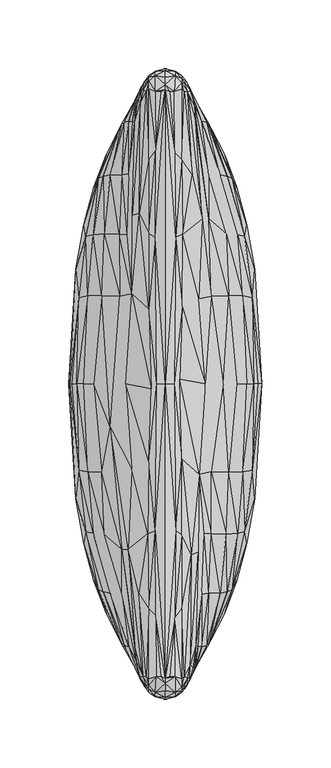
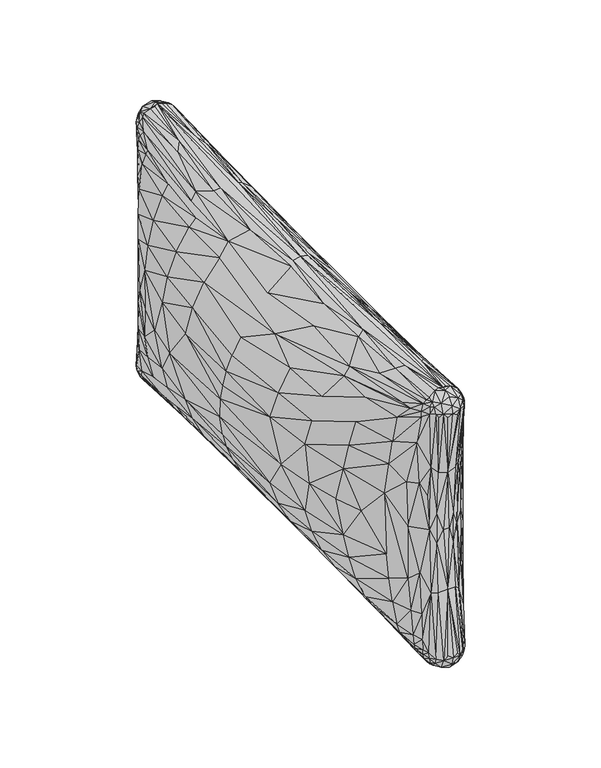
"""IFC4 building model written with IfcOpenShell, lengths in millimetres: furniture geometry."""

from ifc_helpers import new_model, si_unit, origin, place, context, project, spatial, triangles, source, transform, mapped, element, save


def furniture_ff577a39(model_context):
    return source(origin(), model_context, "Body", "Tessellation", [
        triangles([(-52.4915907, -108.4813508, 75.9611156), (-56.1678743, -63.8612273, 75.9467133), (-46.1038855, -64.2029125, 56.4661437), (52.4859996, -108.4813508, 177.0717862), (56.1622878, -63.8612273, 177.086193), (46.0982945, -64.2029125, 196.5667627), (48.736769, 149.1945725, 96.2297095), (59.2366096, 115.5297215, 126.5164509), (57.790218, 107.0855603, 96.409495), (-48.74236, 149.1945725, 156.8031833), (-59.2422006, 115.5297215, 126.5164509), (-57.7958091, 107.0855603, 156.6233977), (33.0653941, -185.9305296, 157.3290959), (33.7971899, -184.5994154, 102.5392081), (43.055248, -166.3264392, 126.5164509), (31.6618415, -120.0187007, 34.931725), (40.0625483, -31.2689103, 47.6199721), (46.0982945, -64.2029125, 56.4661437), (-33.0709828, -185.9305296, 95.7037968), (-33.8027786, -184.5994154, 150.4936938), (-43.0608346, -166.3264392, 126.5164509), (-31.6674302, -120.0187007, 218.1011859), (-40.0681393, -31.2689103, 205.4129342), (-46.1038855, -64.2029125, 196.5667627), (17.299991, 208.909832, 87.0376561), (11.6693742, 213.7278882, 127.0592048), (23.0387236, 200.6604082, 126.5164509), (-7.4342835, 106.4574645, 243.8059941), (-0.0027946, 0.0, 243.0915028), (-0.0053055, 213.622117, 253.0338829), (7.2481211, 227.0940418, 14.0877495), (-0.0027946, 220.7412682, 73.1136014), (7.2544837, 219.2594909, 71.5221469), (7.4286941, 106.4574645, 9.2269083), (-0.0024089, 3e-07, 9.9414717), (-0.0002836, 213.622117, -0.0009784), (-33.2691221, -63.565188, 38.2223763), (-40.0681393, 31.2689103, 47.6199721), (-28.6023875, 0.0, 33.0955067), (7.2544837, -219.2594909, 71.5221469), (7.1622184, -216.9644639, 110.643201), (-0.0027946, -220.7412682, 73.1136014), (2.922464, -218.129291, 126.5164509), (7.2646132, -216.820759, 138.1913197), (-0.0027946, -220.7412682, 179.919305), (33.2635333, -63.565188, 214.8105256), (42.2021388, 0.0, 202.4773031), (29.0456267, 0.0, 219.4081919), (-33.0709828, 185.9305296, 157.3290959), (-33.8027786, 184.5994154, 102.5392081), (-43.0608346, 166.3264392, 126.5164509), (-12.7903383, 108.7190543, 13.1216543), (-26.7404985, 119.9948922, 28.18699), (-19.3531156, 152.0121876, 17.5737422), (33.0653941, 185.9305296, 95.7037968), (33.7971899, 184.5994154, 150.4936938), (43.055248, 166.3264392, 126.5164509), (12.7847495, 108.7190543, 239.9112463), (26.7349097, 119.9948922, 224.845905), (19.3475268, 152.0121876, 235.4591562), (6.8052424, -169.8754413, 247.9979984), (11.9664332, -214.1132571, 248.1058043), (11.9972056, -163.1535406, 243.8436735), (-28.6023875, 0.0, 219.9373929), (-10.3119024, -3.3868243, 239.5876287), (-24.4645837, 65.5005259, 225.6879139), (28.5967965, 0.0, 33.0955067), (10.3063125, -3.3868243, 13.4452708), (24.4589949, 65.5005259, 27.3449924), (-6.8108318, -169.8754413, 5.0349063), (-11.9720231, -214.1132571, 4.9270964), (-12.0027943, -163.1535406, 9.1892386), (-17.3055798, 208.909832, 165.9952457), (-11.674963, 213.7278882, 125.973697), (-23.0443124, 200.6604082, 126.5164509), (0.0116053, 228.6769938, 237.8989419), (-0.0027946, 220.7412682, 179.919305), (-4.1227467, 227.8690308, 235.2891811), (69.9981665, 0.0, 131.9060202), (67.513598, 0.0, 148.6664161), (63.0023681, -62.5254713, 156.5578312), (39.8188359, -151.927963, 54.9371581), (45.0689151, -150.8213445, 75.3352545), (29.9815389, -189.7990617, 53.0183345), (-39.8244224, -151.927963, 198.0957391), (-45.0745062, -150.8213445, 177.6976564), (-29.9871299, -189.7990617, 200.0145719), (-70.0023996, 0.0, 121.0919637), (-67.493046, 0.0, 104.2490147), (-63.0079591, -62.5254713, 96.4750797), (-0.0027946, -227.273573, 244.4612411), (7.2564163, -223.5702198, 247.0286353), (-0.0027946, -222.7839669, 250.0439127), (-13.9011955, -212.4153048, 245.9074646), (-12.0027943, -163.1535406, 243.8436735), (-19.3531156, -152.0121876, 235.4591562), (0.0116053, -228.6769938, 15.1339668), (-4.1227467, -227.8690308, 17.7437196), (-17.3055798, -208.909832, 87.0376561), (-11.674963, -213.7278882, 127.0592048), (-23.0443124, -200.6604082, 126.5164509), (13.8956055, -212.4153048, 7.1254349), (11.9972056, -163.1535406, 9.1892386), (19.3475268, -152.0121876, 17.5737422), (-0.0027946, -227.273573, 8.5716595), (-7.2620056, -223.5702198, 6.0042716), (-0.0027946, -222.7839669, 2.9889993), (-6.8172835, 168.1697315, 5.1789705), (-7.4342835, 106.4574645, 9.2269083), (-23.4981069, 201.4945142, 173.4536568), (6.8116947, 168.1697315, 247.8539301), (7.4286941, 106.4574645, 243.8059941), (23.4925182, 201.4945142, 79.579236), (7.2481211, -227.0940418, 238.9451534), (7.2544837, -219.2594909, 181.5107594), (45.0689151, -150.8213445, 177.6976564), (39.8188359, -151.927963, 198.0957391), (31.8812639, -187.9860364, 178.8315262), (-33.2691221, 63.565188, 214.8105256), (33.2635333, 63.565188, 38.2223763), (63.0023681, 62.5254713, 156.5578312), (26.569229, 190.6886694, 221.2170204), (31.6822004, 151.968849, 217.5957117), (39.8188359, 151.927963, 198.0957391), (-63.0079591, 62.5254713, 96.4750797), (-26.57482, 190.6886694, 31.8158928), (-31.6877892, 151.968849, 35.4371856), (-39.8244224, 151.927963, 54.9371581), (-7.2620056, -223.5702198, 247.0286353), (-23.4981069, -201.4945142, 79.579236), (-0.0027946, 227.273573, 8.5716595), (7.2564163, 223.5702198, 6.0042716), (-0.0027946, 222.7839669, 2.9889993), (-7.2620056, 223.5702198, 6.0042716), (-17.3696736, -212.1149597, 51.346993), (-11.8488475, -216.0653908, 70.5644928), (-18.9283754, -123.9724201, 18.9205305), (-13.7818293, -212.4173577, 7.00522), (7.2564163, 223.5702198, 247.0286353), (-0.0027946, 227.273573, 244.4612411), (-0.0027946, 222.7839669, 250.0439127), (-7.2620056, 223.5702198, 247.0286353), (7.2564163, -223.5702198, 6.0042716), (23.4925182, -201.4945142, 173.4536568), (23.0387236, -200.6604082, 126.5164509), (18.9227867, -123.9724201, 234.1123634), (13.7762406, -212.4173577, 246.027679), (29.9815389, -189.7990617, 200.0145719), (31.6822004, -151.968849, 217.5957117), (26.569229, -190.6886694, 221.2170204), (-57.7958091, -107.0855603, 156.6233977), (-64.8921283, -83.4453608, 126.5164509), (-59.2422006, -115.5297215, 126.5164509), (-63.0079591, 62.5254713, 156.5578312), (-64.1301562, 0.0, 160.7727266), (-56.1678743, 63.8612273, 177.086193), (63.0023681, 62.5254713, 96.4750797), (64.1245697, 0.0, 92.2601752), (56.1622878, 63.8612273, 75.9467133), (57.790218, -107.0855603, 96.409495), (64.8865418, -83.4453608, 126.5164509), (59.2366096, -115.5297215, 126.5164509), (11.9697477, 223.7481523, 14.8179057), (11.8432576, 216.0653908, 70.5644928), (15.2418851, 219.1112442, 19.4367224), (18.9227867, 123.9724201, 18.9205305), (12.0054979, 54.3753056, 14.4367937), (11.9972056, 109.5169071, 12.4292797), (-11.9753364, 223.7481523, 238.2150018), (-11.8488475, 216.0653908, 182.4684045), (-15.2474739, 219.1112442, 233.5961885), (-18.9283754, 123.9724201, 234.1123634), (-12.0110867, 54.3753056, 238.5961013), (-12.0027943, 109.5169071, 240.6036278), (7.4286941, -106.4574645, 243.8059941), (-0.0002836, -213.622117, 253.0338829), (-7.4342835, -106.4574645, 9.2269083), (-0.0053055, -213.622117, -0.0009784), (7.2544837, 219.2594909, 181.5107594), (7.1622184, 216.9644639, 142.3897008), (2.922464, 218.129291, 126.5164509), (7.2646132, 216.820759, 114.8415821), (-45.0745062, -150.8213445, 75.3352545), (-39.8244224, -151.927963, 54.9371581), (-31.886855, -187.9860364, 74.2013711), (-29.9871299, -189.7990617, 53.0183345), (-31.6877892, -151.968849, 35.4371856), (-26.57482, -190.6886694, 31.8158928), (6.8116947, -168.1697315, 5.1789705), (7.4286941, -106.4574645, 9.2269083), (0.0026305, -217.3050499, 0.4235855), (6.6212023, -212.5631882, 1.3880483), (-6.8172835, -168.1697315, 247.8539301), (-7.4342835, -106.4574645, 243.8059941), (-0.0082197, -217.3050499, 252.6093266), (-6.6267916, -212.5631882, 251.6448506), (13.8956055, 212.4153048, 245.9074646), (11.9972056, 163.1535406, 243.8436735), (0.0026305, 217.3050499, 252.6093266), (6.6212023, 212.5631882, 251.6448506), (-0.0082197, 217.3050499, 0.4235855), (-6.6267916, 212.5631882, 1.3880483), (-13.9011955, 212.4153048, 7.1254349), (-12.0027943, 163.1535406, 9.1892386), (11.9697477, -223.7481523, 238.2150018), (11.8432576, -216.0653908, 182.4684045), (15.2418851, -219.1112442, 233.5961885), (-7.2537105, -227.0940418, 14.0877495), (-11.9753364, -223.7481523, 14.8179057), (-15.2474739, -219.1112442, 19.4367224), (17.299991, -208.909832, 165.9952457), (17.3640836, -212.1149597, 201.6859088), (11.6693742, -213.7278882, 125.973697), (-39.8244224, 151.927963, 198.0957391), (-31.6877892, 151.968849, 217.5957117), (-29.9871299, 189.7990617, 200.0145719), (-17.3696736, 212.1149597, 201.6859088), (39.8188359, 151.927963, 54.9371581), (31.6822004, 151.968849, 35.4371856), (29.9815389, 189.7990617, 53.0183345), (17.3640836, 212.1149597, 51.346993), (31.6822004, -151.968849, 35.4371856), (21.169168, -201.4034769, 19.2655528), (12.7847495, -108.7190543, 13.1216543), (26.7349097, -119.9948922, 28.18699), (-12.7903383, -108.7190543, 239.9112463), (-26.7404985, -119.9948922, 224.845905), (-31.6877892, -151.968849, 217.5957117), (-21.1747568, -201.4034769, 233.7673445), (-57.7958091, -107.0855603, 96.409495), (-48.74236, -149.1945725, 96.2297095), (48.736769, -149.1945725, 156.8031833), (57.790218, -107.0855603, 156.6233977), (64.8865418, 83.4453608, 126.5164509), (67.487455, 0.0, 104.2490147), (-67.493046, 0.0, 148.7838871), (-64.8921283, 83.4453608, 126.5164509), (-10.1440642, -225.0408604, 235.8876184), (-7.2600731, -219.2594909, 181.5107594), (-7.3209013, -227.0545093, 238.9335262), (-0.0171944, -228.6769938, 237.8989419), (4.1171576, -227.8690308, 235.2891811), (-0.0171944, 228.6769938, 15.1339668), (4.1171576, 227.8690308, 17.7437196), (-11.9865753, 223.7404674, 14.680204), (-7.2600731, 219.2594909, 71.5221469), (-7.3209013, 227.0545093, 14.0993722), (12.0042114, 222.5392144, 10.4954066), (15.1898386, 219.4200916, 14.5942616), (-7.2537105, 227.0940418, 238.9451534), (-12.0098002, 222.5392144, 242.5375032), (-15.1954285, 219.4200916, 238.4386436), (10.3090126, 3.3750904, 239.5857757), (24.4528043, -65.5774244, 225.6970522), (6.2882829, 0.0, 241.7777022), (-10.3120852, 3.3870599, 13.4454797), (-24.4645837, -65.5005259, 27.3449924), (-6.2944627, -2e-07, 11.2555448), (22.2161312, -190.1086358, 233.0239669), (24.038515, -122.2840875, 228.1528071), (18.0440635, -203.6963784, 239.9274154), (12.0042114, -222.5392144, 242.5375032), (15.1898386, -219.4200916, 238.4386436), (-22.22172, -190.1086358, 20.0089417), (-24.0441038, -122.2840875, 24.8800947), (-18.0496523, -203.6963784, 13.1054875), (-12.0098002, -222.5392144, 10.4954066), (-15.1954285, -219.4200916, 14.5942616), (26.569229, 190.6886694, 31.8158928), (22.2161312, 190.1086358, 20.0089417), (24.038515, 122.2840875, 24.8800947), (18.0440635, 203.6963784, 13.1054875), (-26.57482, 190.6886694, 221.2170204), (-22.22172, 190.1086358, 233.0239669), (-24.0441038, 122.2840875, 228.1528071), (-18.0496523, 203.6963784, 239.9274154), (33.3931357, 108.7196357, 37.5373708), (52.4859996, 108.4813508, 75.9611156), (-33.3987267, 108.7196357, 215.495531), (-52.4915907, 108.4813508, 177.0717862), (-16.2529006, 212.084838, 10.3481318), (-12.0140502, 218.4138122, 6.2175518), (-12.0304839, 216.1941075, 67.2447463), (-15.0754833, 219.8248271, 15.3696889), (-12.0304839, -216.1941075, 185.788151), (-12.0058556, -223.6606394, 238.8484297), (-15.0754833, -219.8248271, 237.6632186), (-16.2529006, -212.084838, 242.6847689), (-12.0140502, -218.4138122, 246.8153489), (16.2473107, 212.084838, 242.6847689), (12.0084615, 218.4138122, 246.8153489), (12.0248951, 216.1941075, 185.788151), (12.0002657, 223.6606394, 238.8484297), (15.0698934, 219.8248271, 237.6632186), (16.2473107, -212.084838, 10.3481318), (12.0084615, -218.4138122, 6.2175518), (12.0248951, -216.1941075, 67.2447463), (12.0002657, -223.6606394, 14.1844801), (15.0698934, -219.8248271, 15.3696889), (7.3153119, 227.0545093, 238.9335262), (10.1384743, 225.0408604, 235.8876184), (10.1384743, -225.0408604, 17.1452811), (7.3153119, -227.0545093, 14.0993722), (52.0035981, 0.0, 187.2160798), (56.1622878, 63.8612273, 177.086193), (64.1844271, 0.0, 160.5948668), (-51.817899, 0.0, 65.4859056), (-56.1678743, 63.8612273, 75.9467133), (-64.1301562, 0.0, 92.2601752), (-45.0745062, 150.8213445, 75.3352545), (-29.9871299, 189.7990617, 53.0183345), (-57.7958091, 107.0855603, 96.409495), (45.0689151, 150.8213445, 177.6976564), (29.9815389, 189.7990617, 200.0145719), (57.790218, 107.0855603, 156.6233977), (-2.2979438, 218.2791183, 126.5164509), (-7.1678077, 216.9644639, 110.643201), (-7.2600731, 219.2594909, 181.5107594), (-7.2600731, -219.2594909, 71.5221469), (-2.2979438, -218.2791183, 126.5164509), (-7.1678077, -216.9644639, 142.3897008), (-26.57482, -190.6886694, 221.2170204), (-63.0079591, -62.5254713, 156.5578312), (63.0023681, -62.5254713, 96.4750797), (26.569229, -190.6886694, 31.8158928), (44.3810392, -109.0753643, 196.8487222), (-44.3866303, -109.0753643, 56.1841796), (12.2140721, -56.505013, 14.5584466), (24.230584, -61.7786146, 27.1949153), (-12.219662, -56.505013, 238.4744518), (-24.2361728, -61.7786146, 225.8379956), (-20.0055217, 209.2444227, 46.3207191), (-31.886855, 187.9860364, 74.2013711), (-24.0114068, 200.4925405, 85.7252453), (19.9999329, -209.2444227, 46.3207191), (31.8812639, -187.9860364, 74.2013711), (24.0058181, -200.4925405, 85.7252453), (-20.0055217, -209.2444227, 206.7121827), (-31.886855, -187.9860364, 178.8315262), (-24.0114068, -200.4925405, 167.3076656), (19.9999329, 209.2444227, 206.7121827), (31.8812639, 187.9860364, 178.8315262), (24.0058181, 200.4925405, 167.3076656), (11.9972056, 163.1535406, 9.1892386), (13.7762406, 212.4173577, 7.00522), (6.8052424, 169.8754413, 5.0349063), (11.9664332, 214.1132571, 4.9270964), (-6.8108318, 169.8754413, 247.9979984), (-11.9720231, 214.1132571, 248.1058043), (-12.0027943, 163.1535406, 243.8436735), (-13.7818293, 212.4173577, 246.027679), (-22.6059285, -204.6112026, 52.0222516), (-21.8264839, -206.1382715, 29.9412593), (-17.5901997, -214.0799379, 15.5533975), (-19.7803492, -205.8276981, 17.1223333), (-17.5901997, 214.0799379, 237.4795089), (-19.7803492, 205.8276981, 235.9105639), (-22.6059285, 204.6112026, 201.0106411), (-21.8264839, 206.1382715, 223.0916516), (17.5846098, 214.0799379, 15.5533975), (19.7747604, 205.8276981, 17.1223333), (22.6003397, 204.6112026, 52.0222516), (21.8208951, 206.1382715, 29.9412593), (22.6003397, -204.6112026, 201.0106411), (21.8208951, -206.1382715, 223.0916516), (17.5846098, -214.0799379, 237.4795089), (19.7747604, -205.8276981, 235.9105639), (-69.3937975, 0.0, 137.4332991), (69.388211, 0.0, 115.5996027), (-7.1704681, 212.5190957, 251.4586883), (7.1648794, -212.5190957, 251.4586883), (7.1648794, 212.5190957, 1.5742159), (-7.1704681, -212.5190957, 1.5742159), (-51.817899, 0.0, 187.5470007), (-46.1038855, 64.2029125, 196.5667627), (-44.3866303, 109.0753643, 196.8487222), (-45.0745062, 150.8213445, 177.6976564), (44.3810392, 109.0753643, 56.1841796), (45.0689151, 150.8213445, 75.3352545), (51.812308, 0.0, 65.4859056), (46.0982945, 64.2029125, 56.4661437), (46.0982945, 64.2029125, 196.5667627), (59.1453996, 0.0, 173.3580049), (21.169168, 201.4034769, 233.7673445), (31.6618415, 120.0187007, 218.1011859), (-21.1747568, 201.4034769, 19.2655528), (-31.6674302, 120.0187007, 34.931725), (-46.1038855, 64.2029125, 56.4661437), (-59.0389654, 0.0, 79.4284367), (12.0054979, -54.3753056, 238.5961013), (11.9972056, -109.5169071, 240.6036278), (-12.0110878, -54.3753147, 14.4367937), (-12.0027943, -109.5169071, 12.4292797), (26.4671754, -152.6478773, 226.2272161), (33.3931357, -108.7196357, 215.495531), (-26.4727641, -152.6478773, 26.8056812), (-33.3987267, -108.7196357, 37.5373708), (-6.2938723, 0.0, 241.7777022), (6.2882829, 0.0, 11.2551951), (14.1433523, -218.7664614, 243.3221028), (16.1754764, -213.3176116, 242.3107547), (12.0014352, -219.585325, 246.2554085), (14.1433523, 218.7664614, 9.7108012), (16.1754764, 213.3176116, 10.7221505), (12.0014352, 219.585325, 6.7775001), (-12.0070251, -219.585325, 6.7775001), (-14.1489411, -218.7664614, 9.7108012), (-16.1810652, -213.3176116, 10.7221505), (-12.0070251, 219.585325, 246.2554085), (-14.1489411, 218.7664614, 243.3221028), (-16.1810652, 213.3176116, 242.3107547), (28.1837335, 108.338636, 30.5220173), (26.4671754, 152.6478773, 26.8056812), (-28.1893222, 108.338636, 222.5108913), (-26.4727641, 152.6478773, 226.2272161), (-48.74236, -149.1945725, 156.8031833), (48.736769, -149.1945725, 96.2297095), (-48.74236, 149.1945725, 96.2297095), (48.736769, 149.1945725, 156.8031833), (-7.2702026, 216.820759, 138.1913197), (-7.2702026, -216.820759, 114.8415821), (17.6445625, -208.6593022, 84.3597581), (13.0884634, -213.0680265, 94.982629), (-17.6501524, -208.6593022, 168.6731528), (-13.0940522, -213.0680265, 158.0502728), (-17.6501524, 208.6593022, 84.3597581), (-13.0940522, 213.0680265, 94.982629), (17.6445625, 208.6593022, 168.6731528), (13.0884634, 213.0680265, 158.0502728), (31.8812639, 187.9860364, 74.2013711), (-31.886855, 187.9860364, 178.8315262), (11.9899045, 221.7362293, 244.0436068), (11.9899045, -221.7362293, 8.9892945), (-11.9954933, 221.7362293, 8.9892945), (-11.9954933, -221.7362293, 244.0436068), (-11.9454918, 213.9740032, 4.8808357), (11.9399019, -213.9740032, 4.8808357), (-11.9454918, -213.9740032, 248.1520587), (11.9399019, 213.9740032, 248.1520587), (4.0996873, -227.872519, 17.7449856), (-4.1052766, 227.872519, 17.7449856), (-4.1052766, -227.872519, 235.2879094), (4.0996873, 227.872519, 235.2879094), (44.3810392, -109.0753643, 56.1841796), (56.1622878, -63.8612273, 75.9467133), (-56.1678743, -63.8612273, 177.086193), (-44.3866303, -109.0753643, 196.8487222), (-18.1309041, -212.81915, 236.9783948), (-14.1489411, -218.7664614, 243.3221028), (-18.480273, -213.2371296, 232.3977333), (18.1253153, -212.81915, 16.0545092), (14.1433523, -218.7664614, 9.7108012), (18.4746842, -213.2371296, 20.635164), (-18.480273, 213.2371296, 20.635164), (-18.1309041, 212.81915, 16.0545092), (-14.1489411, 218.7664614, 9.7108012), (18.1253153, 212.81915, 236.9783948), (14.1433523, 218.7664614, 243.3221028), (18.4746842, 213.2371296, 232.3977333), (24.2356073, 61.7394364, 225.8310738), (12.2154074, 56.5085829, 238.4733981), (-12.219679, 56.5052174, 14.5584546), (-24.2361728, 61.7786146, 27.1949153), (52.4859996, 108.4813508, 177.0717862), (-52.4915907, 108.4813508, 75.9611156), (-52.4915907, -108.4813508, 177.0717862), (52.4859996, -108.4813508, 75.9611156), (-17.8593705, -213.9187377, 28.9609412), (-18.0333799, -214.2791081, 19.9026142), (-20.813219, -206.1327486, 21.1478757), (-18.0333799, 214.2791081, 233.1302831), (-17.8593705, 213.9187377, 224.0719697), (-20.813219, 206.1327486, 231.8850284), (18.0277911, -214.2791081, 233.1302831), (17.8537805, -213.9187377, 224.0719697), (20.8076303, -206.1327486, 231.8850284), (18.0277911, 214.2791081, 19.9026142), (17.8537805, 213.9187377, 28.9609412), (20.8076303, 206.1327486, 21.1478757), (-23.9459448, 190.4194453, 229.3564219), (-23.9459448, -190.4194453, 23.6764754), (23.940356, -190.4194453, 229.3564219), (23.940356, 190.4194453, 23.6764754), (44.3810392, 109.0753643, 196.8487222), (33.2635333, 63.565188, 214.8105256), (-44.3866303, 109.0753643, 56.1841796), (-51.905262, -142.9395945, 126.5164509), (51.8996755, 142.9395945, 126.5164509), (51.8996755, -142.9395945, 126.5164509), (-51.905262, 142.9395945, 126.5164509), (-28.1893222, -108.338636, 30.5220173), (28.1837335, -108.338636, 222.5108913), (-59.0389654, 0.0, 173.6044652), (59.0333789, 0.0, 79.4284367), (22.2161312, 190.1086358, 233.0239669), (-22.22172, 190.1086358, 20.0089417), (-22.22172, -190.1086358, 233.0239669), (22.2161312, -190.1086358, 20.0089417), (3.0331545, -212.0899794, 0.3336421), (-3.0387436, 212.0899794, 0.3336421), (-3.0387436, -212.0899794, 252.6992558), (3.0331545, 212.0899794, 252.6992558), (3.0251225, -212.179527, 252.7066681), (-3.0307116, 212.179527, 252.7066681), (-3.0307116, -212.179527, 0.3262362), (3.0251225, 212.179527, 0.3262362)], [[1, 2, 3], [4, 5, 6], [7, 8, 9], [10, 11, 12], [13, 14, 15], [16, 17, 18], [19, 20, 21], [22, 23, 24], [25, 26, 27], [28, 29, 30], [31, 32, 33], [34, 35, 36], [37, 38, 39], [40, 41, 42], [43, 44, 45], [46, 47, 48], [49, 50, 51], [52, 53, 54], [55, 56, 57], [58, 59, 60], [61, 62, 63], [64, 65, 66], [67, 68, 69], [70, 71, 72], [73, 74, 75], [76, 77, 78], [79, 80, 81], [82, 83, 84], [85, 86, 87], [88, 89, 90], [91, 92, 93], [94, 95, 96], [97, 42, 98], [99, 100, 101], [102, 103, 104], [105, 106, 107], [108, 36, 109], [110, 75, 50], [111, 30, 112], [113, 27, 56], [114, 45, 115], [116, 117, 118], [119, 23, 64], [49, 51, 10], [120, 17, 67], [55, 57, 7], [121, 80, 79], [122, 123, 124], [125, 89, 88], [126, 127, 128], [129, 91, 93], [130, 101, 20], [131, 132, 133], [134, 131, 133], [99, 135, 136], [137, 72, 138], [139, 140, 141], [140, 142, 141], [143, 105, 107], [144, 145, 14], [146, 63, 147], [148, 149, 150], [151, 152, 153], [154, 155, 156], [157, 158, 159], [160, 161, 162], [163, 164, 165], [166, 167, 168], [169, 170, 171], [172, 173, 174], [175, 29, 176], [30, 29, 112], [177, 35, 178], [36, 35, 109], [179, 180, 77], [181, 182, 32], [183, 184, 185], [186, 187, 188], [189, 178, 190], [143, 191, 192], [193, 176, 194], [129, 195, 196], [197, 198, 60], [139, 199, 200], [134, 201, 202], [203, 204, 54], [91, 114, 92], [205, 206, 207], [105, 208, 106], [209, 136, 210], [211, 212, 206], [211, 213, 145], [214, 215, 216], [73, 217, 170], [218, 219, 220], [25, 221, 164], [222, 223, 16], [224, 225, 104], [226, 227, 96], [228, 229, 22], [230, 153, 152], [19, 21, 231], [13, 15, 232], [233, 162, 161], [79, 234, 121], [157, 235, 158], [154, 236, 155], [88, 237, 125], [238, 239, 240], [241, 45, 242], [243, 32, 244], [245, 246, 247], [248, 163, 249], [131, 31, 132], [140, 250, 142], [251, 169, 252], [48, 253, 254], [29, 255, 112], [39, 256, 257], [35, 258, 109], [259, 260, 261], [262, 205, 263], [264, 265, 266], [267, 209, 268], [220, 219, 269], [270, 271, 272], [216, 215, 273], [274, 275, 276], [218, 277, 219], [9, 278, 7], [214, 279, 215], [12, 280, 10], [203, 281, 282], [283, 245, 284], [285, 286, 287], [94, 288, 289], [197, 290, 291], [292, 293, 294], [102, 295, 296], [297, 298, 299], [300, 179, 77], [301, 179, 300], [302, 40, 303], [303, 40, 42], [6, 304, 47], [305, 306, 121], [3, 307, 38], [308, 309, 125], [128, 310, 311], [312, 237, 11], [124, 313, 314], [315, 234, 8], [6, 47, 46], [117, 149, 148], [184, 187, 186], [3, 38, 37], [316, 32, 317], [250, 77, 318], [208, 42, 319], [320, 45, 321], [322, 228, 85], [323, 155, 236], [324, 158, 235], [325, 222, 82], [240, 239, 45], [239, 321, 45], [247, 246, 32], [246, 317, 32], [232, 162, 233], [4, 326, 116], [231, 153, 230], [1, 327, 183], [178, 35, 190], [224, 328, 329], [176, 29, 194], [226, 330, 331], [126, 128, 311], [332, 333, 334], [325, 82, 84], [335, 336, 337], [322, 85, 87], [338, 339, 340], [341, 342, 343], [122, 124, 314], [166, 344, 345], [346, 347, 344], [348, 349, 350], [172, 350, 351], [352, 188, 353], [354, 355, 266], [356, 357, 276], [358, 273, 359], [360, 361, 272], [362, 269, 363], [364, 150, 365], [366, 367, 261], [368, 152, 323], [152, 88, 90], [369, 161, 324], [161, 79, 81], [370, 199, 142], [28, 30, 348], [371, 195, 92], [175, 176, 61], [372, 201, 132], [34, 36, 346], [177, 178, 70], [373, 191, 106], [156, 374, 375], [280, 376, 377], [278, 378, 379], [159, 380, 381], [382, 383, 305], [123, 384, 385], [127, 386, 387], [388, 389, 308], [146, 390, 391], [175, 255, 29], [177, 258, 35], [137, 392, 393], [144, 14, 13], [148, 150, 364], [220, 269, 362], [113, 56, 55], [130, 20, 19], [186, 188, 352], [110, 50, 49], [216, 273, 358], [259, 394, 260], [326, 46, 395], [264, 396, 265], [327, 37, 397], [28, 398, 29], [29, 398, 194], [34, 399, 35], [35, 399, 190], [400, 263, 401], [402, 62, 371], [403, 249, 404], [405, 347, 372], [406, 71, 373], [407, 268, 408], [409, 349, 370], [410, 252, 411], [277, 412, 219], [270, 413, 271], [279, 414, 215], [274, 415, 275], [416, 21, 20], [151, 153, 416], [417, 15, 14], [160, 162, 417], [418, 51, 50], [312, 11, 418], [419, 57, 56], [315, 8, 419], [44, 115, 45], [206, 213, 211], [164, 26, 25], [182, 33, 32], [420, 318, 77], [170, 74, 73], [421, 319, 42], [136, 100, 99], [320, 421, 42], [43, 42, 41], [181, 77, 180], [316, 420, 77], [422, 213, 423], [335, 422, 297], [424, 100, 425], [338, 424, 285], [426, 74, 427], [332, 426, 283], [428, 26, 429], [341, 428, 292], [379, 218, 430], [379, 378, 218], [377, 214, 431], [377, 376, 214], [432, 293, 300], [293, 432, 294], [433, 298, 303], [298, 433, 299], [245, 434, 284], [434, 245, 247], [435, 286, 240], [286, 435, 287], [108, 204, 436], [282, 202, 436], [296, 192, 437], [189, 103, 437], [193, 95, 438], [289, 196, 438], [291, 200, 439], [111, 198, 439], [327, 397, 184], [183, 327, 184], [326, 395, 117], [116, 326, 117], [303, 105, 143], [440, 42, 97], [247, 131, 134], [441, 32, 243], [240, 91, 129], [442, 45, 241], [300, 140, 139], [443, 77, 76], [237, 368, 154], [12, 11, 237], [234, 369, 157], [9, 8, 234], [444, 16, 18], [445, 158, 324], [446, 155, 323], [447, 22, 24], [267, 208, 209], [208, 319, 209], [251, 250, 169], [250, 318, 169], [31, 33, 163], [248, 31, 163], [262, 114, 205], [114, 115, 205], [448, 449, 288], [450, 322, 87], [451, 452, 295], [453, 325, 84], [454, 126, 311], [455, 456, 281], [457, 458, 290], [459, 122, 314], [90, 309, 2], [308, 389, 309], [81, 306, 5], [305, 383, 306], [376, 375, 119], [280, 375, 376], [378, 381, 120], [278, 381, 378], [58, 460, 59], [58, 461, 460], [52, 462, 463], [52, 463, 53], [431, 216, 110], [431, 214, 216], [430, 220, 113], [430, 218, 220], [185, 186, 130], [185, 184, 186], [118, 148, 144], [118, 117, 148], [464, 315, 313], [305, 121, 464], [465, 312, 310], [308, 125, 465], [446, 323, 466], [466, 151, 86], [467, 160, 83], [445, 324, 467], [210, 136, 468], [469, 468, 470], [471, 472, 473], [171, 170, 472], [474, 475, 476], [207, 206, 475], [477, 478, 479], [165, 164, 478], [233, 4, 232], [233, 5, 4], [230, 1, 231], [230, 2, 1], [273, 480, 359], [273, 415, 480], [188, 481, 353], [188, 396, 481], [150, 482, 365], [150, 394, 482], [269, 413, 483], [269, 483, 363], [17, 225, 329], [224, 329, 225], [23, 227, 331], [226, 331, 227], [484, 385, 382], [485, 59, 460], [486, 387, 388], [38, 53, 463], [371, 92, 402], [262, 92, 114], [267, 106, 208], [373, 106, 406], [248, 132, 31], [372, 132, 405], [251, 142, 250], [370, 142, 409], [282, 134, 202], [247, 134, 434], [289, 129, 196], [240, 129, 435], [291, 139, 200], [300, 139, 432], [296, 143, 192], [303, 143, 433], [416, 487, 21], [231, 21, 487], [7, 57, 488], [419, 488, 57], [417, 489, 15], [232, 15, 489], [418, 490, 51], [10, 51, 490], [184, 397, 187], [397, 491, 187], [117, 395, 149], [395, 492, 149], [141, 199, 139], [141, 142, 199], [133, 201, 134], [133, 132, 201], [107, 106, 191], [107, 191, 143], [93, 195, 129], [93, 92, 195], [24, 493, 446], [156, 493, 374], [159, 494, 380], [18, 494, 445], [376, 119, 279], [376, 279, 214], [378, 120, 277], [378, 277, 218], [88, 368, 237], [88, 152, 368], [79, 161, 369], [79, 369, 234], [138, 266, 137], [408, 138, 406], [404, 345, 405], [345, 272, 166], [147, 261, 146], [401, 147, 402], [411, 351, 409], [351, 276, 172], [280, 156, 375], [12, 156, 280], [278, 159, 381], [9, 159, 278], [454, 311, 332], [284, 332, 283], [459, 314, 341], [294, 341, 292], [453, 84, 335], [299, 335, 297], [287, 338, 285], [450, 87, 338], [112, 255, 461], [254, 253, 390], [190, 399, 328], [69, 68, 167], [66, 65, 173], [194, 398, 330], [109, 258, 462], [257, 256, 392], [2, 307, 3], [2, 309, 389], [237, 154, 12], [12, 154, 156], [9, 157, 159], [234, 157, 9], [230, 90, 2], [152, 90, 230], [233, 81, 5], [161, 81, 233], [5, 304, 6], [5, 306, 383], [166, 69, 167], [277, 69, 412], [137, 257, 392], [397, 257, 491], [172, 66, 173], [279, 66, 414], [146, 254, 390], [395, 254, 492], [367, 259, 261], [476, 365, 482], [473, 359, 480], [357, 274, 276], [361, 270, 272], [479, 363, 483], [355, 264, 266], [470, 353, 481], [74, 317, 283], [170, 420, 74], [213, 41, 297], [206, 44, 213], [136, 421, 100], [100, 321, 285], [26, 180, 292], [164, 182, 26], [7, 379, 55], [7, 278, 379], [231, 183, 19], [231, 1, 183], [10, 377, 49], [10, 280, 377], [232, 4, 116], [232, 116, 13], [84, 336, 335], [84, 83, 336], [87, 339, 338], [87, 86, 339], [314, 342, 341], [314, 313, 342], [311, 333, 332], [311, 310, 333], [110, 216, 358], [73, 358, 217], [99, 352, 135], [130, 186, 352], [25, 362, 221], [113, 220, 362], [211, 364, 212], [144, 148, 364], [457, 290, 384], [495, 385, 384], [496, 387, 386], [455, 281, 386], [448, 288, 229], [497, 22, 229], [498, 16, 223], [451, 295, 223], [247, 243, 131], [243, 31, 131], [76, 250, 140], [300, 76, 140], [303, 97, 105], [97, 208, 105], [241, 114, 91], [240, 241, 91], [465, 125, 312], [125, 237, 312], [467, 324, 160], [324, 161, 160], [323, 152, 151], [466, 323, 151], [464, 121, 315], [121, 234, 315], [187, 396, 188], [187, 491, 396], [219, 413, 269], [219, 412, 413], [149, 394, 150], [149, 492, 394], [215, 415, 273], [215, 414, 415], [475, 365, 476], [364, 365, 212], [478, 363, 479], [362, 363, 221], [352, 353, 135], [468, 353, 470], [472, 359, 473], [358, 359, 217], [437, 192, 189], [189, 499, 178], [436, 202, 108], [108, 500, 36], [438, 196, 193], [193, 501, 176], [439, 200, 111], [111, 502, 30], [382, 305, 484], [484, 305, 464], [18, 445, 444], [444, 445, 467], [447, 446, 466], [24, 446, 447], [486, 308, 465], [388, 308, 486], [327, 3, 37], [1, 3, 327], [4, 6, 326], [326, 6, 46], [61, 176, 503], [371, 62, 61], [348, 30, 504], [370, 349, 348], [373, 71, 70], [70, 178, 505], [346, 36, 506], [372, 347, 346], [170, 318, 420], [169, 318, 170], [136, 319, 421], [209, 319, 136], [164, 33, 182], [163, 33, 164], [206, 115, 44], [205, 115, 206], [375, 23, 119], [375, 374, 23], [381, 17, 120], [381, 380, 17], [292, 179, 293], [292, 180, 179], [283, 246, 245], [283, 317, 246], [285, 239, 286], [285, 321, 239], [297, 40, 298], [297, 41, 40], [426, 75, 74], [334, 50, 75], [428, 27, 26], [343, 56, 27], [422, 145, 213], [337, 14, 145], [340, 20, 101], [424, 101, 100], [49, 377, 431], [49, 431, 110], [55, 430, 113], [55, 379, 430], [19, 185, 130], [19, 183, 185], [13, 118, 144], [13, 116, 118], [354, 408, 268], [210, 468, 469], [356, 411, 252], [171, 472, 471], [366, 401, 263], [207, 475, 474], [360, 404, 249], [165, 478, 477], [299, 452, 451], [299, 453, 335], [287, 450, 338], [287, 449, 448], [284, 456, 455], [284, 454, 332], [294, 458, 457], [294, 459, 341], [86, 416, 339], [86, 151, 416], [83, 417, 336], [83, 160, 417], [313, 419, 342], [313, 315, 419], [310, 312, 418], [310, 418, 333], [190, 103, 189], [328, 224, 190], [194, 95, 193], [330, 226, 194], [112, 198, 111], [461, 58, 112], [109, 204, 108], [462, 52, 109], [417, 162, 489], [232, 489, 162], [7, 488, 8], [419, 8, 488], [10, 490, 11], [418, 11, 490], [231, 487, 153], [416, 153, 487], [409, 142, 251], [411, 409, 410], [408, 406, 407], [406, 106, 267], [404, 405, 403], [405, 132, 248], [402, 92, 262], [401, 402, 400], [44, 41, 213], [43, 41, 44], [421, 321, 100], [320, 321, 421], [181, 180, 182], [182, 180, 26], [316, 317, 420], [420, 317, 74], [433, 143, 296], [299, 433, 452], [294, 432, 458], [432, 139, 291], [284, 434, 456], [434, 134, 282], [435, 129, 289], [287, 435, 449], [387, 38, 388], [388, 38, 307], [391, 175, 61], [390, 175, 391], [174, 28, 348], [173, 28, 174], [168, 34, 346], [167, 34, 168], [393, 177, 70], [392, 177, 393], [385, 485, 382], [382, 47, 304], [167, 399, 34], [68, 399, 167], [390, 255, 175], [253, 255, 390], [173, 398, 28], [65, 398, 173], [392, 258, 177], [256, 258, 392], [271, 69, 166], [272, 271, 166], [276, 275, 172], [275, 66, 172], [261, 260, 146], [260, 254, 146], [266, 265, 137], [265, 257, 137], [124, 464, 313], [484, 464, 124], [128, 465, 310], [486, 465, 128], [447, 466, 85], [85, 466, 86], [82, 467, 83], [444, 467, 82], [227, 288, 96], [94, 96, 288], [225, 295, 104], [102, 104, 295], [53, 281, 54], [203, 54, 281], [59, 290, 60], [197, 60, 290], [320, 42, 43], [43, 45, 320], [181, 32, 316], [316, 77, 181], [211, 145, 144], [144, 364, 211], [99, 101, 130], [130, 352, 99], [25, 27, 113], [113, 362, 25], [73, 75, 110], [110, 358, 73], [119, 64, 66], [279, 119, 66], [277, 120, 69], [120, 67, 69], [397, 37, 257], [37, 39, 257], [395, 46, 254], [46, 48, 254], [333, 50, 334], [333, 418, 50], [342, 56, 343], [342, 419, 56], [336, 14, 337], [336, 417, 14], [339, 20, 340], [339, 416, 20], [461, 255, 253], [461, 253, 48], [330, 398, 65], [330, 65, 64], [328, 399, 68], [328, 68, 67], [462, 258, 256], [462, 256, 39], [70, 505, 373], [505, 178, 373], [346, 506, 372], [506, 36, 372], [504, 30, 370], [348, 504, 370], [61, 503, 371], [503, 176, 371], [289, 449, 435], [289, 288, 449], [291, 290, 458], [291, 458, 432], [282, 281, 456], [282, 456, 434], [296, 295, 452], [296, 452, 433], [48, 485, 460], [461, 48, 460], [64, 23, 331], [330, 64, 331], [67, 17, 329], [328, 67, 329], [39, 38, 463], [462, 39, 463], [443, 76, 300], [300, 77, 443], [240, 45, 442], [442, 241, 240], [303, 42, 440], [440, 97, 303], [247, 32, 441], [441, 243, 247], [496, 53, 387], [387, 53, 38], [22, 227, 23], [497, 227, 22], [385, 59, 485], [495, 59, 385], [16, 225, 17], [498, 225, 16], [78, 250, 76], [78, 77, 250], [242, 45, 114], [242, 114, 241], [244, 31, 243], [244, 32, 31], [98, 42, 208], [98, 208, 97], [266, 408, 354], [266, 138, 408], [261, 401, 366], [261, 147, 401], [272, 345, 404], [272, 404, 360], [276, 411, 356], [276, 351, 411], [338, 340, 424], [340, 101, 424], [334, 75, 426], [332, 334, 426], [337, 145, 422], [335, 337, 422], [343, 27, 428], [341, 343, 428], [122, 384, 123], [122, 457, 384], [126, 386, 127], [126, 455, 386], [325, 223, 222], [325, 451, 223], [322, 448, 229], [322, 229, 228], [24, 374, 493], [24, 23, 374], [18, 380, 494], [18, 17, 380], [388, 307, 389], [2, 389, 307], [382, 304, 383], [5, 383, 304], [400, 402, 262], [262, 263, 400], [407, 406, 267], [267, 268, 407], [251, 252, 410], [410, 409, 251], [403, 405, 248], [248, 249, 403], [502, 199, 30], [370, 30, 199], [500, 201, 36], [372, 36, 201], [373, 178, 191], [499, 191, 178], [501, 195, 176], [371, 176, 195], [478, 221, 363], [164, 221, 478], [468, 135, 353], [136, 135, 468], [472, 217, 359], [170, 217, 472], [475, 212, 365], [206, 212, 475], [95, 226, 96], [194, 226, 95], [112, 58, 198], [198, 58, 60], [204, 52, 54], [109, 52, 204], [190, 224, 103], [103, 224, 104], [470, 264, 355], [469, 470, 355], [479, 270, 361], [477, 479, 361], [476, 259, 367], [474, 476, 367], [473, 274, 357], [471, 473, 357], [446, 493, 155], [156, 155, 493], [159, 158, 494], [445, 494, 158], [360, 477, 361], [165, 477, 360], [356, 471, 357], [171, 471, 356], [366, 474, 367], [207, 474, 366], [210, 469, 354], [354, 469, 355], [366, 263, 207], [207, 263, 205], [171, 252, 169], [356, 252, 171], [165, 249, 163], [360, 249, 165], [210, 268, 209], [354, 268, 210], [196, 195, 501], [196, 501, 193], [202, 500, 108], [202, 201, 500], [200, 199, 502], [200, 502, 111], [192, 191, 499], [192, 499, 189], [459, 457, 122], [294, 457, 459], [299, 451, 453], [453, 451, 325], [287, 448, 450], [450, 448, 322], [284, 455, 454], [454, 455, 126], [264, 481, 396], [470, 481, 264], [473, 480, 274], [274, 480, 415], [259, 482, 394], [476, 482, 259], [270, 483, 413], [479, 483, 270], [172, 174, 350], [348, 350, 174], [166, 168, 344], [346, 344, 168], [137, 393, 72], [70, 72, 393], [61, 63, 391], [146, 391, 63], [351, 349, 409], [351, 350, 349], [147, 62, 402], [147, 63, 62], [345, 347, 405], [345, 344, 347], [138, 72, 71], [138, 71, 406], [127, 486, 128], [127, 387, 486], [123, 484, 124], [123, 385, 484], [228, 22, 447], [228, 447, 85], [222, 444, 82], [222, 16, 444], [438, 95, 94], [289, 438, 94], [439, 198, 197], [291, 439, 197], [437, 103, 102], [296, 437, 102], [436, 204, 203], [282, 436, 203], [125, 309, 89], [90, 89, 309], [81, 80, 306], [121, 306, 80], [324, 235, 369], [369, 235, 157], [368, 236, 154], [323, 236, 368], [491, 265, 396], [491, 257, 265], [492, 254, 260], [492, 260, 394], [412, 69, 271], [412, 271, 413], [414, 66, 275], [414, 275, 415], [47, 485, 48], [485, 47, 382], [496, 281, 53], [386, 281, 496], [495, 290, 59], [384, 290, 495], [498, 295, 225], [223, 295, 498], [497, 288, 227], [229, 288, 497], [423, 213, 297], [297, 422, 423], [285, 424, 425], [425, 100, 285], [429, 26, 292], [292, 428, 429], [283, 426, 427], [427, 74, 283], [293, 301, 300], [293, 179, 301], [286, 239, 238], [286, 238, 240], [298, 40, 302], [298, 302, 303]]),
    ])


if __name__ == "__main__":
    model = new_model("IFC4")
    model_context = context("Model", 3, world=origin())
    ifc_project = project(units=[si_unit("LENGTHUNIT", "METRE", prefix="MILLI")], contexts=[model_context])
    site = spatial("IfcSite", under=ifc_project)
    building = spatial("IfcBuilding", under=site)
    placement = place(None, origin())
    furniture_shape = furniture_ff577a39(model_context)
    element("IfcFurniture", 1, at=placement, inside=building, context=model_context, shape_type="MappedRepresentation", body=[
        mapped(furniture_shape, transform((0.0, 0.0, 0.0), x_axis=(1.0, 0.0, 0.0), y_axis=(0.0, 1.0, 0.0), z_axis=(0.0, 0.0, 1.0))),
    ])
    save(model, "model.ifc")
